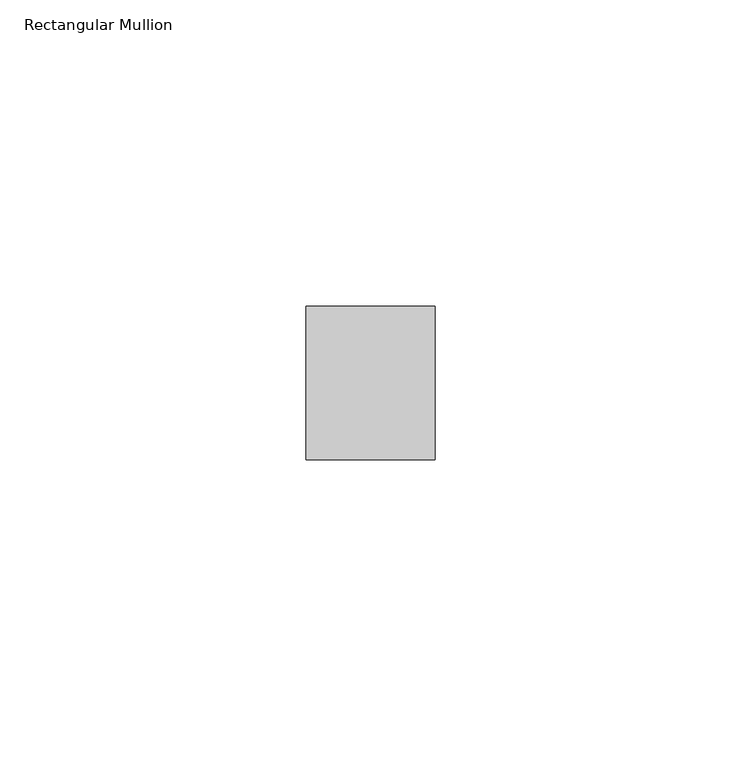
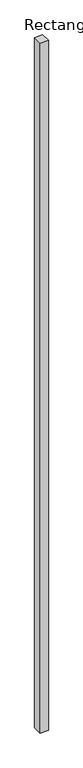
"""IFC4 building model written with IfcOpenShell, lengths in millimetres: member geometry, Rectangular Mullion."""

from ifc_helpers import new_model, si_unit, frame, origin, place, context, project, spatial, polyline, outline, extrude, source, transform, mapped, element, save


def rectangular_mullion_09487b38(model_context):
    return source(origin(), model_context, "Body", "SweptSolid", [
        extrude(outline(polyline([(0.0, 12.5), (0.0, -12.5), (-21.0, -12.5), (-21.0, 12.5), (0.0, 12.5)])), frame((0.0, 0.0, -1899.9999998), z_axis=(0.0, 0.0, 1.0), x_axis=(1.0, 0.0, 0.0)), (0.0, 0.0, 1.0), 1899.9999998),
    ])


if __name__ == "__main__":
    model = new_model("IFC4")
    model_context = context("Model", 3, world=origin())
    ifc_project = project(units=[si_unit("LENGTHUNIT", "METRE", prefix="MILLI")], contexts=[model_context])
    site = spatial("IfcSite", under=ifc_project)
    building = spatial("IfcBuilding", under=site)
    placement = place(None, origin())
    rectangular_mullion_shape = rectangular_mullion_09487b38(model_context)
    element("IfcMember", 1, ObjectType="Rectangular Mullion", at=placement, inside=building, context=model_context, shape_type="MappedRepresentation", body=[
        mapped(rectangular_mullion_shape, transform((0.0, 0.0, 0.0), x_axis=(1.0, 0.0, 0.0), y_axis=(0.0, 1.0, 0.0), z_axis=(0.0, 0.0, 1.0))),
    ])
    save(model, "model.ifc")
